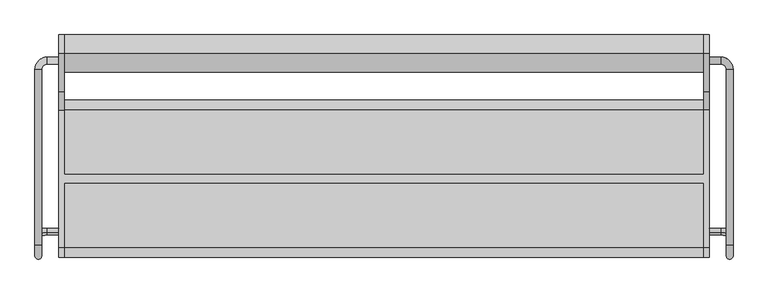
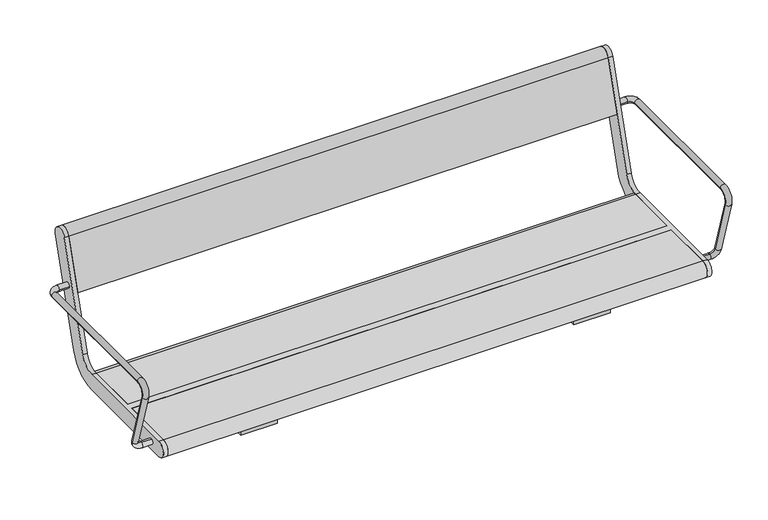
"""IFC4 building model written with IfcOpenShell, lengths in millimetres: furniture geometry."""

from ifc_helpers import new_model, si_unit, point, frame, frame_2d, origin, place, context, project, spatial, polyline, circle_curve, ellipse_curve, trimmed, segment, composite_curve, outline, extrude, source, transform, mapped, element, save
from ifc_brep_helpers import plane_surface, cylinder_surface, revolved_surface, advanced_brep


def furniture_afaa256d(model_context):
    return source(origin(), model_context, "Body", "SolidModel", [
        advanced_brep(
        [(757.0, -126.3389736, 435.150438), (757.0, -121.6610264, 419.849562), (784.0, -121.6610264, 419.849562), (784.0, -126.3389736, 435.150438), (813.0, -130.1398058, 447.5823999), (797.0, -130.1398058, 447.5823999), (797.0, 254.0, 641.5), (797.0, -154.3793835, 641.5), (813.0, -154.3793835, 641.5), (813.0, 254.0, 641.5), (813.0, -179.1796199, 607.9844042), (797.0, -179.1796199, 607.9844042), (757.0, 267.0, 641.5), (757.0, 283.0, 641.5), (784.0, 267.0, 641.5), (784.0, 283.0, 641.5)],
        [
            (0, 1, circle_curve(frame((757.0, -124.0, 427.5), z_axis=(-1.0, 0.0, 0.0), x_axis=(0.0, 0.2923717047227402, -0.9563047559630344)), 8.0)),
            (1, 0, circle_curve(frame((757.0, -124.0, 427.5), z_axis=(-1.0, 0.0, 0.0), x_axis=(0.0, 0.2923717047227402, -0.9563047559630344)), 8.0)),
            (1, 2),
            (2, 3, circle_curve(frame((784.0, -124.0, 427.5), z_axis=(-1.0, 0.0, 0.0), x_axis=(0.0, 0.2923717047227402, -0.9563047559630344)), 8.0)),
            (3, 0),
            (3, 2, circle_curve(frame((784.0, -124.0, 427.5), z_axis=(-1.0, 0.0, 0.0), x_axis=(0.0, 0.2923717047227402, -0.9563047559630344)), 8.0)),
            (2, 4, circle_curve(frame((784.0, -130.1398058, 447.5823999), z_axis=(0.0, -0.9563047559630344, -0.29237170472274027), x_axis=(0.0, 0.29237170472274027, -0.9563047559630344)), 29.0)),
            (4, 5, circle_curve(frame((805.0, -130.1398058, 447.5823999), z_axis=(0.0, 0.29237170472274027, -0.9563047559630344), x_axis=(1.0, 0.0, 0.0)), 8.0)),
            (5, 3, circle_curve(frame((784.0, -130.1398058, 447.5823999), z_axis=(0.0, 0.9563047559630344, 0.29237170472274027), x_axis=(0.0, 0.29237170472274027, -0.9563047559630344)), 13.0)),
            (5, 4, circle_curve(frame((805.0, -130.1398058, 447.5823999), z_axis=(0.0, 0.29237170472274027, -0.9563047559630344), x_axis=(1.0, 0.0, 0.0)), 8.0)),
            (6, 7),
            (7, 8, circle_curve(frame((805.0, -154.3793835, 641.5), z_axis=(0.0, 1.0, 0.0), x_axis=(1.0, 0.0, 0.0)), 8.0)),
            (8, 9),
            (9, 6, circle_curve(frame((805.0, 254.0, 641.5), z_axis=(0.0, -1.0, 0.0), x_axis=(1.0, 0.0, 0.0)), 8.0)),
            (6, 9, circle_curve(frame((805.0, 254.0, 641.5), z_axis=(0.0, -1.0, 0.0), x_axis=(1.0, 0.0, 0.0)), 8.0)),
            (8, 7, circle_curve(frame((805.0, -154.3793835, 641.5), z_axis=(0.0, 1.0, 0.0), x_axis=(1.0, 0.0, 0.0)), 8.0)),
            (8, 10, circle_curve(frame((813.0, -154.3793835, 615.5665973), z_axis=(1.0, 0.0, 0.0), x_axis=(0.0, 0.0, 1.0)), 25.9334027)),
            (10, 11, circle_curve(frame((805.0, -179.1796199, 607.9844042), z_axis=(0.0, -0.29237170472273366, 0.9563047559630364), x_axis=(1.0, 0.0, 0.0)), 8.0)),
            (11, 7, circle_curve(frame((797.0, -154.3793835, 615.5665973), z_axis=(-1.0, 0.0, 0.0), x_axis=(0.0, 0.0, 1.0)), 25.9334027)),
            (11, 10, circle_curve(frame((805.0, -179.1796199, 607.9844042), z_axis=(0.0, -0.2923717047227341, 0.9563047559630362), x_axis=(1.0, 0.0, 0.0)), 8.0)),
            (10, 4),
            (5, 11),
            (12, 13, circle_curve(frame((757.0, 275.0, 641.5), z_axis=(-1.0, 0.0, 0.0), x_axis=(0.0, 1.0, 0.0)), 8.0)),
            (13, 12, circle_curve(frame((757.0, 275.0, 641.5), z_axis=(-1.0, 0.0, 0.0), x_axis=(0.0, 1.0, 0.0)), 8.0)),
            (12, 14),
            (14, 15, circle_curve(frame((784.0, 275.0, 641.5), z_axis=(-1.0, 0.0, 0.0), x_axis=(0.0, 1.0, 0.0)), 8.0)),
            (15, 13),
            (15, 14, circle_curve(frame((784.0, 275.0, 641.5), z_axis=(-1.0, 0.0, 0.0), x_axis=(0.0, 1.0, 0.0)), 8.0)),
            (14, 6, circle_curve(frame((784.0, 254.0, 641.5), z_axis=(0.0, 0.0, -1.0), x_axis=(0.0, 1.0, 0.0)), 13.0)),
            (9, 15, circle_curve(frame((784.0, 254.0, 641.5), z_axis=(0.0, 0.0, 1.0), x_axis=(0.0, 1.0, 0.0)), 29.0)),
        ],
        [
            plane_surface(frame((757.0, 489.469501, 615.0564486), z_axis=(-1.0, 0.0, 0.0), x_axis=(0.0, -0.9563047559630344, -0.29237170472274027))),
            cylinder_surface(frame((757.0, -124.0, 427.5), z_axis=(-1.0, 0.0, 0.0), x_axis=(0.0, 0.2923717047227402, -0.9563047559630344)), 8.0),
            revolved_surface(trimmed(ellipse_curve(frame((784.0, -124.0, 427.5), z_axis=(-1.0, 0.0, 0.0), x_axis=(0.0, 0.2923717047227402, -0.9563047559630344)), 8.0, 8.0), [point((784.0, -121.6610264, 419.849562))], [point((784.0, -126.3389736, 435.150438))], True, "CARTESIAN"), (784.0, 483.3296952, 635.1388485), (0.0, -0.9563047559630344, -0.29237170472274027)),
            revolved_surface(trimmed(ellipse_curve(frame((784.0, -124.0, 427.5), z_axis=(-1.0, 0.0, 0.0), x_axis=(0.0, 0.2923717047227402, -0.9563047559630344)), 8.0, 8.0), [point((784.0, -126.3389736, 435.150438))], [point((784.0, -121.6610264, 419.849562))], True, "CARTESIAN"), (784.0, 483.3296952, 635.1388485), (0.0, -0.9563047559630344, -0.29237170472274027)),
            cylinder_surface(frame((805.0, 254.0, 641.5), z_axis=(0.0, 1.0, 0.0), x_axis=(1.0, 0.0, 0.0)), 8.0),
            revolved_surface(trimmed(ellipse_curve(frame((805.0, -154.3793835, 641.5), z_axis=(0.0, 1.0, 0.0), x_axis=(1.0, 0.0, 0.0)), 8.0, 8.0), [point((813.0, -154.3793835, 641.5))], [point((797.0, -154.3793835, 641.5))], True, "CARTESIAN"), (500.0, -154.3793835, 615.5665973), (1.0, 0.0, 0.0)),
            revolved_surface(trimmed(ellipse_curve(frame((805.0, -154.3793835, 641.5), z_axis=(0.0, 1.0, 0.0), x_axis=(1.0, 0.0, 0.0)), 8.0, 8.0), [point((797.0, -154.3793835, 641.5))], [point((813.0, -154.3793835, 641.5))], True, "CARTESIAN"), (500.0, -154.3793835, 615.5665973), (1.0, 0.0, 0.0)),
            cylinder_surface(frame((805.0, -179.1796199, 607.9844042), z_axis=(0.0, -0.29237170472273794, 0.9563047559630351), x_axis=(1.0, 0.0, 0.0)), 8.0),
            plane_surface(frame((757.0, 275.0, 0.0), z_axis=(-1.0, 0.0, 0.0), x_axis=(0.0, 0.0, 1.0))),
            cylinder_surface(frame((757.0, 275.0, 641.5), z_axis=(-1.0, 0.0, 0.0), x_axis=(0.0, 1.0, 0.0)), 8.0),
            revolved_surface(trimmed(ellipse_curve(frame((784.0, 275.0, 641.5), z_axis=(-1.0, 0.0, 0.0), x_axis=(0.0, 1.0, 0.0)), 8.0, 8.0), [point((784.0, 267.0, 641.5))], [point((784.0, 283.0, 641.5))], True, "CARTESIAN"), (784.0, 254.0, 0.0), (0.0, 0.0, -1.0)),
            revolved_surface(trimmed(ellipse_curve(frame((784.0, 275.0, 641.5), z_axis=(-1.0, 0.0, 0.0), x_axis=(0.0, 1.0, 0.0)), 8.0, 8.0), [point((784.0, 283.0, 641.5))], [point((784.0, 267.0, 641.5))], True, "CARTESIAN"), (784.0, 254.0, 0.0), (0.0, 0.0, -1.0)),
        ],
        [
            (0, [[1, 2]]),
            (1, [[-2, 3, 4, 5]]),
            (1, [[-1, -5, 6, -3]]),
            (2, [[-4, 7, 8, 9]]),
            (3, [[-6, -9, 10, -7]]),
            (4, [[11, 12, 13, 14]]),
            (4, [[-11, 15, -13, 16]]),
            (5, [[-16, 17, 18, 19]]),
            (6, [[-12, -19, 20, -17]]),
            (7, [[-18, 21, -10, 22]]),
            (7, [[-20, -22, -8, -21]]),
            (8, [[23, 24]]),
            (9, [[-23, 25, 26, 27]]),
            (9, [[-24, -27, 28, -25]]),
            (10, [[-26, 29, -14, 30]]),
            (11, [[-28, -30, -15, -29]]),
        ],
    ),
        advanced_brep(
        [(-813.0, 254.0, 641.5), (-813.0, -154.3793835, 641.5), (-797.0, -154.3793835, 641.5), (-797.0, 254.0, 641.5), (-757.0, 267.0, 641.5), (-757.0, 283.0, 641.5), (-784.0, 283.0, 641.5), (-784.0, 267.0, 641.5), (-797.0, -179.1796199, 607.9844042), (-813.0, -179.1796199, 607.9844042), (-797.0, -130.1398058, 447.5823999), (-813.0, -130.1398058, 447.5823999), (-757.0, -126.3389736, 435.150438), (-757.0, -121.6610264, 419.849562), (-784.0, -126.3389736, 435.150438), (-784.0, -121.6610264, 419.849562)],
        [
            (0, 1),
            (1, 2, circle_curve(frame((-805.0, -154.3793835, 641.5), z_axis=(0.0, 1.0, 0.0), x_axis=(-1.0, 0.0, 0.0)), 8.0)),
            (2, 3),
            (3, 0, circle_curve(frame((-805.0, 254.0, 641.5), z_axis=(0.0, -1.0, 0.0), x_axis=(-1.0, 0.0, 0.0)), 8.0)),
            (0, 3, circle_curve(frame((-805.0, 254.0, 641.5), z_axis=(0.0, -1.0, 0.0), x_axis=(-1.0, 0.0, 0.0)), 8.0)),
            (2, 1, circle_curve(frame((-805.0, -154.3793835, 641.5), z_axis=(0.0, 1.0, 0.0), x_axis=(-1.0, 0.0, 0.0)), 8.0)),
            (4, 5, circle_curve(frame((-757.0, 275.0, 641.5), z_axis=(1.0, 0.0, 0.0), x_axis=(0.0, 1.0, 0.0)), 8.0)),
            (5, 4, circle_curve(frame((-757.0, 275.0, 641.5), z_axis=(1.0, 0.0, 0.0), x_axis=(0.0, 1.0, 0.0)), 8.0)),
            (5, 6),
            (6, 7, circle_curve(frame((-784.0, 275.0, 641.5), z_axis=(1.0, 0.0, 0.0), x_axis=(0.0, 1.0, 0.0)), 8.0)),
            (7, 4),
            (7, 6, circle_curve(frame((-784.0, 275.0, 641.5), z_axis=(1.0, 0.0, 0.0), x_axis=(0.0, 1.0, 0.0)), 8.0)),
            (6, 0, circle_curve(frame((-784.0, 254.0, 641.5), z_axis=(0.0, 0.0, 1.0), x_axis=(0.0, 1.0, 0.0)), 29.0)),
            (3, 7, circle_curve(frame((-784.0, 254.0, 641.5), z_axis=(0.0, 0.0, -1.0), x_axis=(0.0, 1.0, 0.0)), 13.0)),
            (2, 8, circle_curve(frame((-797.0, -154.3793835, 615.5665973), z_axis=(1.0, 0.0, 0.0), x_axis=(0.0, 0.0, 1.0)), 25.9334027)),
            (8, 9, circle_curve(frame((-805.0, -179.1796199, 607.9844042), z_axis=(0.0, -0.29237170472273327, 0.9563047559630365), x_axis=(-1.0, 0.0, 0.0)), 8.0)),
            (9, 1, circle_curve(frame((-813.0, -154.3793835, 615.5665973), z_axis=(-1.0, 0.0, 0.0), x_axis=(0.0, 0.0, 1.0)), 25.9334027)),
            (9, 8, circle_curve(frame((-805.0, -179.1796199, 607.9844042), z_axis=(0.0, -0.29237170472273366, 0.9563047559630364), x_axis=(-1.0, 0.0, 0.0)), 8.0)),
            (8, 10),
            (10, 11, circle_curve(frame((-805.0, -130.1398058, 447.5823999), z_axis=(0.0, -0.29237170472273794, 0.9563047559630351), x_axis=(-1.0, 0.0, 0.0)), 8.0)),
            (11, 9),
            (11, 10, circle_curve(frame((-805.0, -130.1398058, 447.5823999), z_axis=(0.0, -0.29237170472273794, 0.9563047559630351), x_axis=(-1.0, 0.0, 0.0)), 8.0)),
            (12, 13, circle_curve(frame((-757.0, -124.0, 427.5), z_axis=(1.0, 0.0, 0.0), x_axis=(0.0, 0.2923717047227402, -0.9563047559630344)), 8.0)),
            (13, 12, circle_curve(frame((-757.0, -124.0, 427.5), z_axis=(1.0, 0.0, 0.0), x_axis=(0.0, 0.2923717047227402, -0.9563047559630344)), 8.0)),
            (12, 14),
            (14, 15, circle_curve(frame((-784.0, -124.0, 427.5), z_axis=(1.0, 0.0, 0.0), x_axis=(0.0, 0.2923717047227402, -0.9563047559630344)), 8.0)),
            (15, 13),
            (15, 14, circle_curve(frame((-784.0, -124.0, 427.5), z_axis=(1.0, 0.0, 0.0), x_axis=(0.0, 0.2923717047227402, -0.9563047559630344)), 8.0)),
            (14, 10, circle_curve(frame((-784.0, -130.1398058, 447.5823999), z_axis=(0.0, 0.9563047559630344, 0.29237170472274027), x_axis=(0.0, 0.29237170472274027, -0.9563047559630344)), 13.0)),
            (11, 15, circle_curve(frame((-784.0, -130.1398058, 447.5823999), z_axis=(0.0, -0.9563047559630344, -0.29237170472274027), x_axis=(0.0, 0.29237170472274027, -0.9563047559630344)), 29.0)),
        ],
        [
            cylinder_surface(frame((-805.0, 254.0, 641.5), z_axis=(0.0, 1.0, 0.0), x_axis=(-1.0, 0.0, 0.0)), 8.0),
            plane_surface(frame((-757.0, 275.0, 0.0), z_axis=(1.0, 0.0, 0.0), x_axis=(0.0, 0.0, 1.0))),
            cylinder_surface(frame((-757.0, 275.0, 641.5), z_axis=(1.0, 0.0, 0.0), x_axis=(0.0, 1.0, 0.0)), 8.0),
            revolved_surface(trimmed(ellipse_curve(frame((-784.0, 275.0, 641.5), z_axis=(1.0, 0.0, 0.0), x_axis=(0.0, 1.0, 0.0)), 8.0, 8.0), [point((-784.0, 283.0, 641.5))], [point((-784.0, 267.0, 641.5))], True, "CARTESIAN"), (-784.0, 254.0, 0.0), (0.0, 0.0, 1.0)),
            revolved_surface(trimmed(ellipse_curve(frame((-784.0, 275.0, 641.5), z_axis=(1.0, 0.0, 0.0), x_axis=(0.0, 1.0, 0.0)), 8.0, 8.0), [point((-784.0, 267.0, 641.5))], [point((-784.0, 283.0, 641.5))], True, "CARTESIAN"), (-784.0, 254.0, 0.0), (0.0, 0.0, 1.0)),
            revolved_surface(trimmed(ellipse_curve(frame((-805.0, -154.3793835, 641.5), z_axis=(0.0, 1.0, 0.0), x_axis=(-1.0, 0.0, 0.0)), 8.0, 8.0), [point((-797.0, -154.3793835, 641.5))], [point((-813.0, -154.3793835, 641.5))], True, "CARTESIAN"), (-500.0, -154.3793835, 615.5665973), (1.0, 0.0, 0.0)),
            revolved_surface(trimmed(ellipse_curve(frame((-805.0, -154.3793835, 641.5), z_axis=(0.0, 1.0, 0.0), x_axis=(-1.0, 0.0, 0.0)), 8.0, 8.0), [point((-813.0, -154.3793835, 641.5))], [point((-797.0, -154.3793835, 641.5))], True, "CARTESIAN"), (-500.0, -154.3793835, 615.5665973), (1.0, 0.0, 0.0)),
            cylinder_surface(frame((-805.0, -179.1796199, 607.9844042), z_axis=(0.0, -0.29237170472273794, 0.9563047559630351), x_axis=(-1.0, 0.0, 0.0)), 8.0),
            plane_surface(frame((-757.0, 489.469501, 615.0564486), z_axis=(1.0, 0.0, 0.0), x_axis=(0.0, -0.9563047559630344, -0.29237170472274027))),
            cylinder_surface(frame((-757.0, -124.0, 427.5), z_axis=(1.0, 0.0, 0.0), x_axis=(0.0, 0.2923717047227402, -0.9563047559630344)), 8.0),
            revolved_surface(trimmed(ellipse_curve(frame((-784.0, -124.0, 427.5), z_axis=(1.0, 0.0, 0.0), x_axis=(0.0, 0.2923717047227402, -0.9563047559630344)), 8.0, 8.0), [point((-784.0, -126.3389736, 435.150438))], [point((-784.0, -121.6610264, 419.849562))], True, "CARTESIAN"), (-784.0, 483.3296952, 635.1388485), (0.0, 0.9563047559630344, 0.29237170472274027)),
            revolved_surface(trimmed(ellipse_curve(frame((-784.0, -124.0, 427.5), z_axis=(1.0, 0.0, 0.0), x_axis=(0.0, 0.2923717047227402, -0.9563047559630344)), 8.0, 8.0), [point((-784.0, -121.6610264, 419.849562))], [point((-784.0, -126.3389736, 435.150438))], True, "CARTESIAN"), (-784.0, 483.3296952, 635.1388485), (0.0, 0.9563047559630344, 0.29237170472274027)),
        ],
        [
            (0, [[1, 2, 3, 4]]),
            (0, [[-1, 5, -3, 6]]),
            (1, [[7, 8]]),
            (2, [[-8, 9, 10, 11]]),
            (2, [[-7, -11, 12, -9]]),
            (3, [[-10, 13, -4, 14]]),
            (4, [[-12, -14, -5, -13]]),
            (5, [[-6, 15, 16, 17]]),
            (6, [[-2, -17, 18, -15]]),
            (7, [[-16, 19, 20, 21]]),
            (7, [[-18, -21, 22, -19]]),
            (8, [[23, 24]]),
            (9, [[-23, 25, 26, 27]]),
            (9, [[-24, -27, 28, -25]]),
            (10, [[-26, 29, -22, 30]]),
            (11, [[-28, -30, -20, -29]]),
        ],
    ),
        advanced_brep(
        [(-745.0, 291.0375971, 769.6910048), (-745.0, 203.033714, 481.8432733), (-745.0, 160.0, 450.0), (-745.0, 9.5, 450.0), (-745.0, 9.5, 405.0), (-745.0, 160.0, 405.0), (-745.0, 246.067428, 468.6865466), (-745.0, 334.0713112, 756.5342781), (-745.0, -161.0, 450.0), (-745.0, -161.0, 405.0), (-745.0, -10.5, 405.0), (-745.0, -10.5, 450.0), (-757.0, 291.0375971, 769.6910048), (-757.0, 334.0713112, 756.5342781), (-757.0, 246.067428, 468.6865466), (-757.0, 160.0, 405.0), (-757.0, -161.0, 405.0), (-757.0, -161.0, 450.0), (-757.0, 160.0, 450.0), (-757.0, 203.033714, 481.8432733), (745.0, -10.5, 450.0), (745.0, -161.0, 450.0), (757.0, -161.0, 450.0), (757.0, 160.0, 450.0), (745.0, 160.0, 450.0), (745.0, 9.5, 450.0), (745.0, 9.5, 405.0), (745.0, 160.0, 405.0), (757.0, 160.0, 405.0), (757.0, -161.0, 405.0), (745.0, -161.0, 405.0), (745.0, -10.5, 405.0), (757.0, 291.0375971, 769.6910048), (757.0, 203.033714, 481.8432733), (757.0, 246.067428, 468.6865466), (757.0, 334.0713112, 756.5342781), (745.0, 291.0375971, 769.6910048), (745.0, 334.0713112, 756.5342781), (745.0, 246.067428, 468.6865466), (745.0, 203.033714, 481.8432733)],
        [
            (0, 1),
            (1, 2, circle_curve(frame((-745.0, 160.0, 495.0), z_axis=(-1.0, 0.0, 0.0), x_axis=(0.0, -1.0, 0.0)), 45.0)),
            (2, 3),
            (3, 4),
            (4, 5),
            (5, 6, circle_curve(frame((-745.0, 160.0, 495.0), z_axis=(1.0, 0.0, 0.0), x_axis=(0.0, -1.0, 0.0)), 90.0)),
            (6, 7),
            (7, 0, circle_curve(frame((-745.0, 312.5544541, 763.1126415), z_axis=(1.0, 0.0, 0.0), x_axis=(0.0, -1.0, 0.0)), 22.5)),
            (8, 9, circle_curve(frame((-745.0, -161.0, 427.5), z_axis=(1.0, 0.0, 0.0), x_axis=(0.0, -1.0, 0.0)), 22.5)),
            (9, 10),
            (10, 11),
            (11, 8),
            (12, 13, circle_curve(frame((-757.0, 312.5544541, 763.1126415), z_axis=(-1.0, 0.0, 0.0), x_axis=(0.0, -1.0, 0.0)), 22.5)),
            (13, 14),
            (14, 15, circle_curve(frame((-757.0, 160.0, 495.0), z_axis=(-1.0, 0.0, 0.0), x_axis=(0.0, -1.0, 0.0)), 90.0)),
            (15, 16),
            (16, 17, circle_curve(frame((-757.0, -161.0, 427.5), z_axis=(-1.0, 0.0, 0.0), x_axis=(0.0, -1.0, 0.0)), 22.5)),
            (17, 18),
            (18, 19, circle_curve(frame((-757.0, 160.0, 495.0), z_axis=(1.0, 0.0, 0.0), x_axis=(0.0, -1.0, 0.0)), 45.0)),
            (19, 12),
            (0, 12),
            (19, 1),
            (18, 2),
            (17, 8),
            (11, 20),
            (20, 21),
            (21, 22),
            (22, 23),
            (23, 24),
            (24, 25),
            (25, 3),
            (15, 5),
            (4, 26),
            (26, 27),
            (27, 28),
            (28, 29),
            (29, 30),
            (30, 31),
            (31, 10),
            (9, 16),
            (14, 6),
            (13, 7),
            (31, 20),
            (25, 26),
            (32, 33),
            (33, 23, circle_curve(frame((757.0, 160.0, 495.0), z_axis=(-1.0, 0.0, 0.0), x_axis=(0.0, -1.0, 0.0)), 45.0)),
            (22, 29, circle_curve(frame((757.0, -161.0, 427.5), z_axis=(1.0, 0.0, 0.0), x_axis=(0.0, -1.0, 0.0)), 22.5)),
            (28, 34, circle_curve(frame((757.0, 160.0, 495.0), z_axis=(1.0, 0.0, 0.0), x_axis=(0.0, -1.0, 0.0)), 90.0)),
            (34, 35),
            (35, 32, circle_curve(frame((757.0, 312.5544541, 763.1126415), z_axis=(1.0, 0.0, 0.0), x_axis=(0.0, -1.0, 0.0)), 22.5)),
            (36, 37, circle_curve(frame((745.0, 312.5544541, 763.1126415), z_axis=(-1.0, 0.0, 0.0), x_axis=(0.0, -1.0, 0.0)), 22.5)),
            (37, 38),
            (38, 27, circle_curve(frame((745.0, 160.0, 495.0), z_axis=(-1.0, 0.0, 0.0), x_axis=(0.0, -1.0, 0.0)), 90.0)),
            (24, 39, circle_curve(frame((745.0, 160.0, 495.0), z_axis=(1.0, 0.0, 0.0), x_axis=(0.0, -1.0, 0.0)), 45.0)),
            (39, 36),
            (30, 21, circle_curve(frame((745.0, -161.0, 427.5), z_axis=(-1.0, 0.0, 0.0), x_axis=(0.0, -1.0, 0.0)), 22.5)),
            (32, 36),
            (39, 33),
            (38, 34),
            (37, 35),
        ],
        [
            plane_surface(frame((-745.0, 203.033714, 481.8432733), z_axis=(1.0000000000000002, 0.0, 0.0), x_axis=(0.0, -0.29237170472273394, -0.9563047559630364))),
            plane_surface(frame((-757.0, 203.033714, 481.8432733), z_axis=(-1.0000000000000002, 0.0, 0.0), x_axis=(0.0, 0.29237170472273394, 0.9563047559630364))),
            plane_surface(frame((-745.0, 291.0375971, 769.6910048), z_axis=(0.0, -0.9563047559630364, 0.29237170472273394), x_axis=(-1.0, 0.0, 0.0))),
            revolved_surface(polyline([(-757.0, 115.0, 495.0), (-745.0, 115.0, 495.0)]), (-757.0, 160.0, 495.0), (-1.0, 0.0, 0.0)),
            plane_surface(frame((-745.0, 160.0, 450.0), z_axis=(0.0, 0.0, 1.0), x_axis=(-1.0, 0.0, 0.0))),
            plane_surface(frame((-745.0, -161.0, 405.0), z_axis=(0.0, 0.0, -1.0), x_axis=(-1.0, 0.0, 0.0))),
            cylinder_surface(frame((-757.0, 160.0, 495.0), z_axis=(1.0, 0.0, 0.0), x_axis=(0.0, -1.0, 0.0)), 90.0),
            plane_surface(frame((-745.0, 246.067428, 468.6865466), z_axis=(0.0, 0.9563047559630364, -0.29237170472273366), x_axis=(-1.0, 0.0, 0.0))),
            cylinder_surface(frame((-757.0, 312.5544541, 763.1126415), z_axis=(1.0, 0.0, 0.0), x_axis=(0.0, -1.0, 0.0)), 22.5),
            cylinder_surface(frame((-757.0, -161.0, 427.5), z_axis=(1.0, 0.0, 0.0), x_axis=(0.0, -1.0, 0.0)), 22.5),
            plane_surface(frame((745.0, -10.5, 450.0), z_axis=(0.0, -1.0, 0.0), x_axis=(-1.0, 0.0, 0.0))),
            plane_surface(frame((745.0, 9.5, 405.0), z_axis=(0.0, 1.0, 0.0), x_axis=(-1.0, 0.0, 0.0))),
            plane_surface(frame((757.0, 203.033714, 481.8432733), z_axis=(1.0000000000000002, 0.0, 0.0), x_axis=(0.0, -0.29237170472273394, -0.9563047559630364))),
            plane_surface(frame((745.0, 203.033714, 481.8432733), z_axis=(-1.0000000000000002, 0.0, 0.0), x_axis=(0.0, 0.29237170472273394, 0.9563047559630364))),
            plane_surface(frame((757.0, 291.0375971, 769.6910048), z_axis=(0.0, -0.9563047559630364, 0.29237170472273394), x_axis=(-1.0, 0.0, 0.0))),
            revolved_surface(polyline([(745.0, 115.0, 495.0), (757.0, 115.0, 495.0)]), (745.0, 160.0, 495.0), (-1.0, 0.0, 0.0)),
            cylinder_surface(frame((745.0, 160.0, 495.0), z_axis=(1.0, 0.0, 0.0), x_axis=(0.0, -1.0, 0.0)), 90.0),
            plane_surface(frame((757.0, 246.067428, 468.6865466), z_axis=(0.0, 0.9563047559630364, -0.29237170472273366), x_axis=(-1.0, 0.0, 0.0))),
            cylinder_surface(frame((745.0, 312.5544541, 763.1126415), z_axis=(1.0, 0.0, 0.0), x_axis=(0.0, -1.0, 0.0)), 22.5),
            cylinder_surface(frame((745.0, -161.0, 427.5), z_axis=(1.0, 0.0, 0.0), x_axis=(0.0, -1.0, 0.0)), 22.5),
        ],
        [
            (0, [[1, 2, 3, 4, 5, 6, 7, 8]]),
            (0, [[9, 10, 11, 12]]),
            (1, [[13, 14, 15, 16, 17, 18, 19, 20]]),
            (2, [[-1, 21, -20, 22]]),
            (3, [[-2, -22, -19, 23]]),
            (4, [[-18, 24, -12, 25, 26, 27, 28, 29, 30, 31, -3, -23]]),
            (5, [[-16, 32, -5, 33, 34, 35, 36, 37, 38, 39, -10, 40]]),
            (6, [[-6, -32, -15, 41]]),
            (7, [[-7, -41, -14, 42]]),
            (8, [[-8, -42, -13, -21]]),
            (9, [[-9, -24, -17, -40]]),
            (10, [[-25, -11, -39, 43]]),
            (11, [[-31, 44, -33, -4]]),
            (12, [[45, 46, -28, 47, -36, 48, 49, 50]]),
            (13, [[51, 52, 53, -34, -44, -30, 54, 55]]),
            (13, [[56, -26, -43, -38]]),
            (14, [[-45, 57, -55, 58]]),
            (15, [[-46, -58, -54, -29]]),
            (16, [[-48, -35, -53, 59]]),
            (17, [[-49, -59, -52, 60]]),
            (18, [[-50, -60, -51, -57]]),
            (19, [[-47, -27, -56, -37]]),
        ],
    ),
        extrude(outline(composite_curve([segment(trimmed(circle_curve(frame_2d((312.5544541, 763.1126415)), 22.5), [point((291.0375971, 769.6910048))], [point((334.0713112, 756.5342781))], False, "CARTESIAN"), True, "CONTINUOUS"), segment(polyline([(334.0713112, 756.5342781), (291.5312281, 617.3919361), (248.4975141, 630.5486628), (291.0375971, 769.6910048)]), True, "CONTINUOUS")], self_intersect=False)), frame((-745.0, 0.0, 0.0), z_axis=(1.0, 0.0, 0.0), x_axis=(0.0, 1.0, 0.0)), (0.0, 0.0, 1.0), 1490.0),
        extrude(outline(composite_curve([segment(polyline([(9.5, 405.0), (9.5, 450.0), (160.0, 450.0)]), True, "CONTINUOUS"), segment(trimmed(circle_curve(frame_2d((160.0, 427.5)), 22.5), [point((160.0, 450.0))], [point((160.0, 405.0))], False, "CARTESIAN"), True, "CONTINUOUS"), segment(polyline([(160.0, 405.0), (9.5, 405.0)]), True, "CONTINUOUS")], self_intersect=False)), frame((-745.0, 0.0, 0.0), z_axis=(1.0, 0.0, 0.0), x_axis=(0.0, 1.0, 0.0)), (0.0, 0.0, 1.0), 1490.0),
        extrude(outline(composite_curve([segment(polyline([(-10.5, 405.0), (-161.0, 405.0)]), True, "CONTINUOUS"), segment(trimmed(circle_curve(frame_2d((-161.0, 427.5)), 22.5), [point((-161.0, 405.0))], [point((-161.0, 450.0))], False, "CARTESIAN"), True, "CONTINUOUS"), segment(polyline([(-161.0, 450.0), (-10.5, 450.0), (-10.5, 405.0)]), True, "CONTINUOUS")], self_intersect=False)), frame((-745.0, 0.0, 0.0), z_axis=(1.0, 0.0, 0.0), x_axis=(0.0, 1.0, 0.0)), (0.0, 0.0, 1.0), 1490.0),
        extrude(outline(polyline([(125.0, 359.0), (-125.0, 359.0), (-125.0, 405.0), (125.0, 405.0), (125.0, 359.0)]), holes=[polyline([(-117.202041, 397.0), (-117.202041, 367.0), (117.202041, 367.0), (117.202041, 397.0), (-117.202041, 397.0)])]), frame((410.0, 0.0, 0.0), z_axis=(1.0, 0.0, 0.0), x_axis=(0.0, 1.0, 0.0)), (0.0, 0.0, 1.0), 100.0),
        extrude(outline(polyline([(125.0, 359.0), (-125.0, 359.0), (-125.0, 405.0), (125.0, 405.0), (125.0, 359.0)]), holes=[polyline([(-117.202041, 397.0), (-117.202041, 367.0), (117.202041, 367.0), (117.202041, 397.0), (-117.202041, 397.0)])]), frame((-510.0, 0.0, 0.0), z_axis=(1.0, 0.0, 0.0), x_axis=(0.0, 1.0, 0.0)), (0.0, 0.0, 1.0), 100.0),
    ])


if __name__ == "__main__":
    model = new_model("IFC4")
    model_context = context("Model", 3, world=origin())
    ifc_project = project(units=[si_unit("LENGTHUNIT", "METRE", prefix="MILLI")], contexts=[model_context])
    site = spatial("IfcSite", under=ifc_project)
    building = spatial("IfcBuilding", under=site)
    placement = place(None, origin())
    furniture_shape = furniture_afaa256d(model_context)
    element("IfcFurniture", 1, at=placement, inside=building, context=model_context, shape_type="MappedRepresentation", body=[
        mapped(furniture_shape, transform((0.0, 0.0, 0.0), x_axis=(1.0, 0.0, 0.0), y_axis=(0.0, 1.0, 0.0), z_axis=(0.0, 0.0, 1.0))),
    ])
    save(model, "model.ifc")
